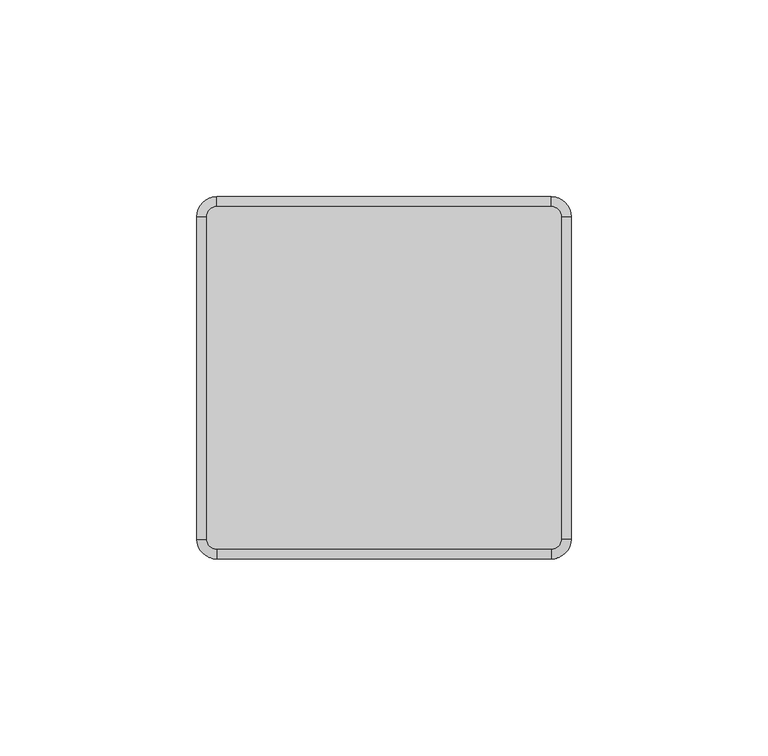
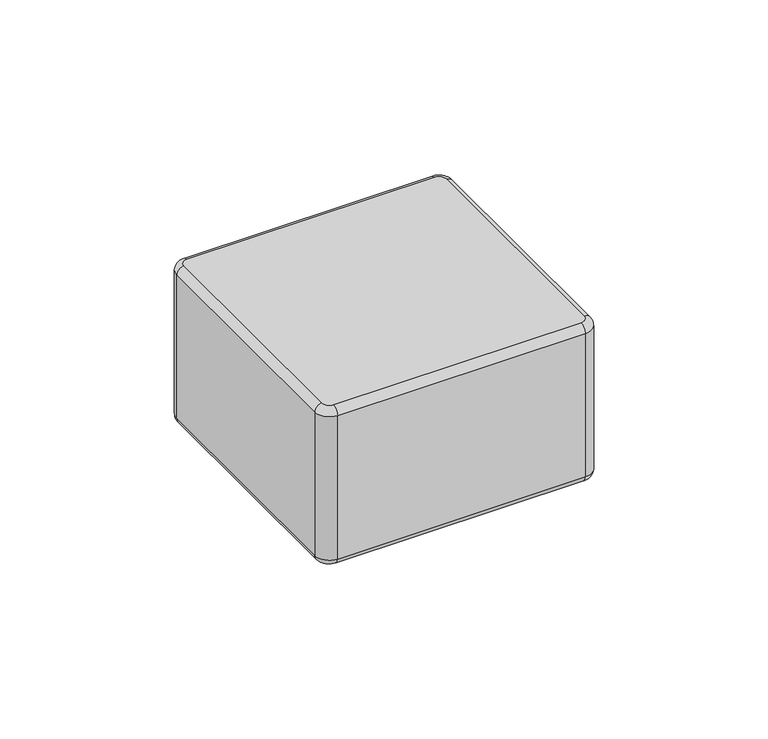
"""IFC4 building model written with IfcOpenShell, lengths in millimetres: plate geometry."""

from ifc_helpers import new_model, si_unit, point, frame, origin, place, context, project, spatial, circle_curve, ellipse_curve, trimmed, source, transform, mapped, element, save
from ifc_brep_helpers import plane_surface, cylinder_surface, revolved_surface, advanced_brep


def plate_7cff84b5(model_context):
    return source(origin(), model_context, "Body", "AdvancedBrep", [
        advanced_brep(
        [(44.8749998, 41.0, 57.0), (42.3749998, 43.5, 57.0), (-42.6250002, 43.5, 57.0), (-45.1250002, 41.0, 57.0), (-45.1250002, -41.0, 57.0), (-42.6250002, -43.5, 57.0), (42.3749998, -43.5, 57.0), (44.8749998, -41.0, 57.0), (-45.1250002, 41.0, 0.0), (-42.6250002, 43.5, 0.0), (42.3749998, 43.5, 0.0), (44.8749998, 41.0, 0.0), (44.8749998, -41.0, 0.0), (42.3749998, -43.5, 0.0), (-42.6250002, -43.5, 0.0), (-45.1250002, -41.0, 0.0), (-42.6250002, -46.0, 2.5), (42.3749998, -46.0, 2.5), (42.3749998, -46.0, 54.5), (-42.6250002, -46.0, 54.5), (47.3749998, -41.0, 2.5), (47.3749998, 41.0, 2.5), (47.3749998, 41.0, 54.5000019), (47.3749998, -41.0, 54.5), (42.3749998, 46.0, 2.5), (-42.6250002, 46.0, 2.5), (-42.6250002, 46.0, 54.5), (42.3749998, 46.0, 54.5), (-47.6250002, 41.0, 2.5), (-47.6250002, -41.0, 2.5), (-47.6250002, -41.0, 54.5), (-47.6250002, 41.0, 54.5)],
        [
            (0, 1, circle_curve(frame((42.3749998, 41.0, 57.0), z_axis=(0.0, 0.0, 1.0), x_axis=(1.0, 0.0, 0.0)), 2.5)),
            (1, 2),
            (2, 3, circle_curve(frame((-42.6250002, 41.0, 57.0), z_axis=(0.0, 0.0, 1.0), x_axis=(0.0, 1.0, 0.0)), 2.5)),
            (3, 4),
            (4, 5, circle_curve(frame((-42.6250002, -41.0, 57.0), z_axis=(0.0, 0.0, 1.0), x_axis=(-1.0, 0.0, 0.0)), 2.5)),
            (5, 6),
            (6, 7, circle_curve(frame((42.3749998, -41.0, 57.0), z_axis=(0.0, 0.0, 1.0), x_axis=(0.0, -1.0, 0.0)), 2.5)),
            (7, 0),
            (8, 9, circle_curve(frame((-42.6250002, 41.0, 0.0), z_axis=(0.0, 0.0, -1.0), x_axis=(-1.0, 0.0, 0.0)), 2.5)),
            (9, 10),
            (10, 11, circle_curve(frame((42.3749998, 41.0, 0.0), z_axis=(0.0, 0.0, -1.0), x_axis=(0.0, 1.0, 0.0)), 2.5)),
            (11, 12),
            (12, 13, circle_curve(frame((42.3749998, -41.0, 0.0), z_axis=(0.0, 0.0, -1.0), x_axis=(1.0, 0.0, 0.0)), 2.5)),
            (13, 14),
            (14, 15, circle_curve(frame((-42.6250002, -41.0, 0.0), z_axis=(0.0, 0.0, -1.0), x_axis=(0.0, -1.0, 0.0)), 2.5)),
            (15, 8),
            (16, 17),
            (17, 18),
            (18, 19),
            (19, 16),
            (20, 21),
            (21, 22),
            (22, 23),
            (23, 20),
            (24, 25),
            (25, 26),
            (26, 27),
            (27, 24),
            (28, 29),
            (29, 30),
            (30, 31),
            (31, 28),
            (29, 16, circle_curve(frame((-42.6250002, -41.0, 2.5), z_axis=(0.0, 0.0, 1.0), x_axis=(1.0, 0.0, 0.0)), 5.0)),
            (19, 30, circle_curve(frame((-42.6250002, -41.0, 54.5), z_axis=(0.0, 0.0, -1.0), x_axis=(1.0, 0.0, 0.0)), 5.0)),
            (17, 20, circle_curve(frame((42.3749998, -41.0, 2.5), z_axis=(0.0, 0.0, 1.0), x_axis=(1.0, 0.0, 0.0)), 5.0)),
            (23, 18, circle_curve(frame((42.3749998, -41.0, 54.5), z_axis=(0.0, 0.0, -1.0), x_axis=(1.0, 0.0, 0.0)), 5.0)),
            (21, 24, circle_curve(frame((42.3749998, 41.0, 2.5), z_axis=(0.0, 0.0, 1.0), x_axis=(1.0, 0.0, 0.0)), 5.0)),
            (27, 22, circle_curve(frame((42.3749998, 41.0, 54.5), z_axis=(0.0, 0.0, -1.0), x_axis=(1.0, 0.0, 0.0)), 5.0)),
            (25, 28, circle_curve(frame((-42.6250002, 41.0, 2.5), z_axis=(0.0, 0.0, 1.0), x_axis=(1.0, 0.0, 0.0)), 5.0)),
            (31, 26, circle_curve(frame((-42.6250002, 41.0, 54.5), z_axis=(0.0, 0.0, -1.0), x_axis=(1.0, 0.0, 0.0)), 5.0)),
            (25, 9, circle_curve(frame((-42.6250002, 43.5, 2.5), z_axis=(-1.0, 0.0, 0.0), x_axis=(0.0, -1.0, 0.0)), 2.5)),
            (8, 28, circle_curve(frame((-45.1250002, 41.0, 2.5), z_axis=(0.0, 1.0, 0.0), x_axis=(1.0, 0.0, 0.0)), 2.5)),
            (24, 10, circle_curve(frame((42.3749998, 43.5, 2.5), z_axis=(-1.0, 0.0, 0.0), x_axis=(0.0, -1.0, 0.0)), 2.5)),
            (21, 11, circle_curve(frame((44.8749998, 41.0, 2.5), z_axis=(0.0, 1.0, 0.0), x_axis=(-1.0, 0.0, 0.0)), 2.5)),
            (20, 12, circle_curve(frame((44.8749998, -41.0, 2.5), z_axis=(0.0, 1.0, 0.0), x_axis=(-1.0, 0.0, 0.0)), 2.5)),
            (17, 13, circle_curve(frame((42.3749998, -43.5, 2.5), z_axis=(1.0, 0.0, 0.0), x_axis=(0.0, 1.0, 0.0)), 2.5)),
            (16, 14, circle_curve(frame((-42.6250002, -43.5, 2.5), z_axis=(1.0, 0.0, 0.0), x_axis=(0.0, 1.0, 0.0)), 2.5)),
            (29, 15, circle_curve(frame((-45.1250002, -41.0, 2.5), z_axis=(0.0, -1.0, 0.0), x_axis=(1.0, 0.0, 0.0)), 2.5)),
            (27, 1, circle_curve(frame((42.3749998, 43.5, 54.5), z_axis=(1.0, 0.0, 0.0), x_axis=(0.0, -1.0, 0.0)), 2.5)),
            (0, 22, circle_curve(frame((44.8749998, 41.0, 54.5), z_axis=(0.0, 1.0, 0.0), x_axis=(-1.0, 0.0, 0.0)), 2.5)),
            (26, 2, circle_curve(frame((-42.6250002, 43.5, 54.5), z_axis=(1.0, 0.0, 0.0), x_axis=(0.0, -1.0, 0.0)), 2.5)),
            (31, 3, circle_curve(frame((-45.1250002, 41.0, 54.5), z_axis=(0.0, 1.0, 0.0), x_axis=(1.0, 0.0, 0.0)), 2.5)),
            (30, 4, circle_curve(frame((-45.1250002, -41.0, 54.5), z_axis=(0.0, 1.0, 0.0), x_axis=(1.0, 0.0, 0.0)), 2.5)),
            (19, 5, circle_curve(frame((-42.6250002, -43.5, 54.5), z_axis=(-1.0, 0.0, 0.0), x_axis=(0.0, 1.0, 0.0)), 2.5)),
            (18, 6, circle_curve(frame((42.3749998, -43.5, 54.5), z_axis=(-1.0, 0.0, 0.0), x_axis=(0.0, 1.0, 0.0)), 2.5)),
            (23, 7, circle_curve(frame((44.8749998, -41.0, 54.5), z_axis=(0.0, -1.0, 0.0), x_axis=(-1.0, 0.0, 0.0)), 2.5)),
        ],
        [
            plane_surface(frame((-37.6250002, -41.0, 57.0), z_axis=(0.0, 0.0, 1.0), x_axis=(0.0, 1.0, 0.0))),
            plane_surface(frame((-37.6250002, -41.0, 0.0), z_axis=(0.0, 0.0, -1.0), x_axis=(0.0, -1.0, 0.0))),
            plane_surface(frame((-42.6250002, -46.0, 57.0), z_axis=(0.0, -1.0, 0.0), x_axis=(0.0, 0.0, -1.0))),
            plane_surface(frame((47.3749998, -41.0, 57.0), z_axis=(1.0, 0.0, 0.0), x_axis=(0.0, 0.0, -1.0))),
            plane_surface(frame((42.3749998, 46.0, 57.0), z_axis=(0.0, 1.0, 0.0), x_axis=(0.0, 0.0, -1.0))),
            plane_surface(frame((-47.6250002, 41.0, 57.0), z_axis=(-1.0, 0.0, 0.0), x_axis=(0.0, 0.0, -1.0))),
            cylinder_surface(frame((-42.6250002, -41.0, 0.0), z_axis=(0.0, 0.0, 1.0), x_axis=(1.0, 0.0, 0.0)), 5.0),
            cylinder_surface(frame((42.3749998, -41.0, 0.0), z_axis=(0.0, 0.0, 1.0), x_axis=(1.0, 0.0, 0.0)), 5.0),
            cylinder_surface(frame((42.3749998, 41.0, 0.0), z_axis=(0.0, 0.0, 1.0), x_axis=(1.0, 0.0, 0.0)), 5.0),
            cylinder_surface(frame((-42.6250002, 41.0, 0.0), z_axis=(0.0, 0.0, 1.0), x_axis=(1.0, 0.0, 0.0)), 5.0),
            revolved_surface(trimmed(ellipse_curve(frame((-45.1250002, 41.0, 2.5), z_axis=(0.0, -1.0, 0.0), x_axis=(1.0, 0.0, 0.0)), 2.5, 2.5), [point((-47.6250002, 41.0, 2.5))], [point((-45.1250002, 41.0, 0.0))], True, "CARTESIAN"), (-42.6250002, 41.0, 0.0), (0.0, 0.0, -1.0)),
            cylinder_surface(frame((-42.6250002, 43.5, 2.5), z_axis=(1.0, 0.0, 0.0), x_axis=(0.0, -1.0, 0.0)), 2.5),
            revolved_surface(trimmed(ellipse_curve(frame((42.3749998, 43.5, 2.5), z_axis=(-1.0, 0.0, 0.0), x_axis=(0.0, -1.0, 0.0)), 2.5, 2.5), [point((42.3749998, 46.0, 2.5))], [point((42.3749998, 43.5, 0.0))], True, "CARTESIAN"), (42.3749998, 41.0, 0.0), (0.0, 0.0, -1.0)),
            cylinder_surface(frame((44.8749998, 41.0, 2.5), z_axis=(0.0, -1.0, 0.0), x_axis=(-1.0, 0.0, 0.0)), 2.5),
            revolved_surface(trimmed(ellipse_curve(frame((44.8749998, -41.0, 2.5), z_axis=(0.0, 1.0, 0.0), x_axis=(-1.0, 0.0, 0.0)), 2.5, 2.5), [point((47.3749998, -41.0, 2.5))], [point((44.8749998, -41.0, 0.0))], True, "CARTESIAN"), (42.3749998, -41.0, 0.0), (0.0, 0.0, -1.0)),
            cylinder_surface(frame((42.3749998, -43.5, 2.5), z_axis=(-1.0, 0.0, 0.0), x_axis=(0.0, 1.0, 0.0)), 2.5),
            revolved_surface(trimmed(ellipse_curve(frame((-42.6250002, -43.5, 2.5), z_axis=(1.0, 0.0, 0.0), x_axis=(0.0, 1.0, 0.0)), 2.5, 2.5), [point((-42.6250002, -46.0, 2.5))], [point((-42.6250002, -43.5, 0.0))], True, "CARTESIAN"), (-42.6250002, -41.0, 0.0), (0.0, 0.0, -1.0)),
            cylinder_surface(frame((-45.1250002, -41.0, 2.5), z_axis=(0.0, 1.0, 0.0), x_axis=(1.0, 0.0, 0.0)), 2.5),
            revolved_surface(trimmed(ellipse_curve(frame((44.8749998, 41.0, 54.5), z_axis=(0.0, -1.0, 0.0), x_axis=(-1.0, 0.0, 0.0)), 2.5, 2.5), [point((47.3749998, 41.0, 54.5))], [point((44.8749998, 41.0, 57.0))], True, "CARTESIAN"), (42.3749998, 41.0, 57.0), (0.0, 0.0, 1.0)),
            cylinder_surface(frame((42.3749998, 43.5, 54.5), z_axis=(-1.0, 0.0, 0.0), x_axis=(0.0, -1.0, 0.0)), 2.5),
            revolved_surface(trimmed(ellipse_curve(frame((-42.6250002, 43.5, 54.5), z_axis=(1.0, 0.0, 0.0), x_axis=(0.0, -1.0, 0.0)), 2.5, 2.5), [point((-42.6250002, 46.0, 54.5))], [point((-42.6250002, 43.5, 57.0))], True, "CARTESIAN"), (-42.6250002, 41.0, 57.0), (0.0, 0.0, 1.0)),
            cylinder_surface(frame((-45.1250002, 41.0, 54.5), z_axis=(0.0, -1.0, 0.0), x_axis=(1.0, 0.0, 0.0)), 2.5),
            revolved_surface(trimmed(ellipse_curve(frame((-45.1250002, -41.0, 54.5), z_axis=(0.0, 1.0, 0.0), x_axis=(1.0, 0.0, 0.0)), 2.5, 2.5), [point((-47.6250002, -41.0, 54.5))], [point((-45.1250002, -41.0, 57.0))], True, "CARTESIAN"), (-42.6250002, -41.0, 57.0), (0.0, 0.0, 1.0)),
            cylinder_surface(frame((-42.6250002, -43.5, 54.5), z_axis=(1.0, 0.0, 0.0), x_axis=(0.0, 1.0, 0.0)), 2.5),
            revolved_surface(trimmed(ellipse_curve(frame((42.3749998, -43.5, 54.5), z_axis=(-1.0, 0.0, 0.0), x_axis=(0.0, 1.0, 0.0)), 2.5, 2.5), [point((42.3749998, -46.0, 54.5))], [point((42.3749998, -43.5, 57.0))], True, "CARTESIAN"), (42.3749998, -41.0, 57.0), (0.0, 0.0, 1.0)),
            cylinder_surface(frame((44.8749998, -41.0, 54.5), z_axis=(0.0, 1.0, 0.0), x_axis=(-1.0, 0.0, 0.0)), 2.5),
        ],
        [
            (0, [[1, 2, 3, 4, 5, 6, 7, 8]]),
            (1, [[9, 10, 11, 12, 13, 14, 15, 16]]),
            (2, [[17, 18, 19, 20]]),
            (3, [[21, 22, 23, 24]]),
            (4, [[25, 26, 27, 28]]),
            (5, [[29, 30, 31, 32]]),
            (6, [[33, -20, 34, -30]]),
            (7, [[35, -24, 36, -18]]),
            (8, [[37, -28, 38, -22]]),
            (9, [[39, -32, 40, -26]]),
            (10, [[41, -9, 42, -39]]),
            (11, [[-41, -25, 43, -10]]),
            (12, [[-43, -37, 44, -11]]),
            (13, [[-44, -21, 45, -12]]),
            (14, [[-45, -35, 46, -13]]),
            (15, [[-46, -17, 47, -14]]),
            (16, [[-47, -33, 48, -15]]),
            (17, [[-42, -16, -48, -29]]),
            (18, [[49, -1, 50, -38]]),
            (19, [[-49, -27, 51, -2]]),
            (20, [[-51, -40, 52, -3]]),
            (21, [[-52, -31, 53, -4]]),
            (22, [[-53, -34, 54, -5]]),
            (23, [[-54, -19, 55, -6]]),
            (24, [[-55, -36, 56, -7]]),
            (25, [[-50, -8, -56, -23]]),
        ],
    ),
    ])


if __name__ == "__main__":
    model = new_model("IFC4")
    model_context = context("Model", 3, world=origin())
    ifc_project = project(units=[si_unit("LENGTHUNIT", "METRE", prefix="MILLI")], contexts=[model_context])
    site = spatial("IfcSite", under=ifc_project)
    building = spatial("IfcBuilding", under=site)
    placement = place(None, origin())
    plate_shape = plate_7cff84b5(model_context)
    element("IfcPlate", 1, at=placement, inside=building, context=model_context, shape_type="MappedRepresentation", body=[
        mapped(plate_shape, transform((0.0, 0.0, 0.0), x_axis=(1.0, 0.0, 0.0), y_axis=(0.0, 1.0, 0.0), z_axis=(0.0, 0.0, 1.0))),
    ])
    save(model, "model.ifc")
